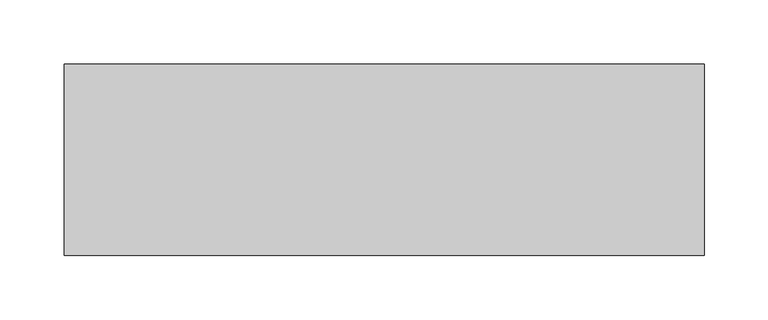
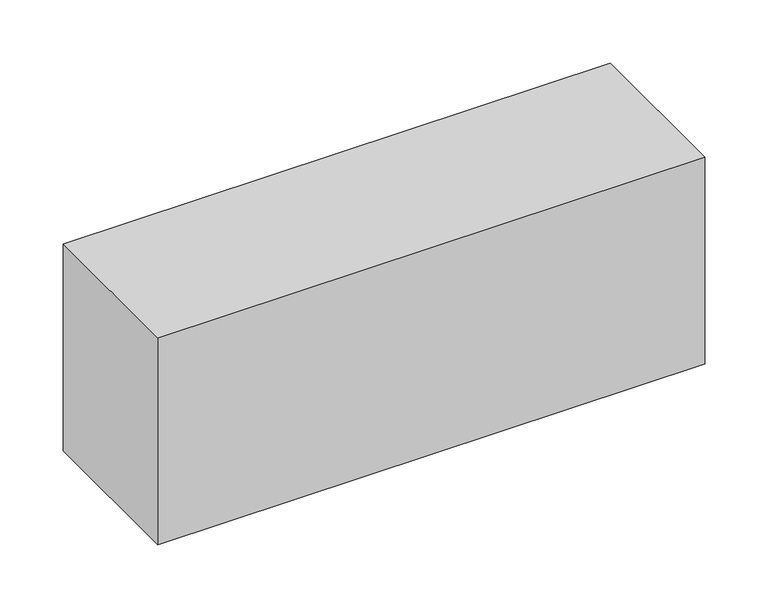
"""IFC4 building model written with IfcOpenShell, lengths in millimetres: proxy geometry."""

from ifc_helpers import new_model, si_unit, frame, origin, place, context, project, spatial, polyline, outline, extrude, source, transform, mapped, element, save


def generic_models_eb302f1e(model_context):
    return source(origin(), model_context, "Body", "SweptSolid", [
        extrude(outline(polyline([(250.0, 75.0), (250.0, -75.0), (-250.0, -75.0), (-250.0, 75.0), (250.0, 75.0)])), frame((0.0, 0.0, -200.0), z_axis=(0.0, 0.0, 1.0), x_axis=(1.0, 0.0, 0.0)), (0.0, 0.0, 1.0), 200.0),
    ])


if __name__ == "__main__":
    model = new_model("IFC4")
    model_context = context("Model", 3, world=origin())
    ifc_project = project(units=[si_unit("LENGTHUNIT", "METRE", prefix="MILLI")], contexts=[model_context])
    site = spatial("IfcSite", under=ifc_project)
    building = spatial("IfcBuilding", under=site)
    placement = place(None, origin())
    generic_models_shape = generic_models_eb302f1e(model_context)
    element("IfcBuildingElementProxy", 1, Name="Generic Models", at=placement, inside=building, context=model_context, shape_type="MappedRepresentation", body=[
        mapped(generic_models_shape, transform((0.0, 0.0, 0.0), x_axis=(1.0, 0.0, 0.0), y_axis=(0.0, 1.0, 0.0), z_axis=(0.0, 0.0, 1.0))),
    ])
    save(model, "model.ifc")
